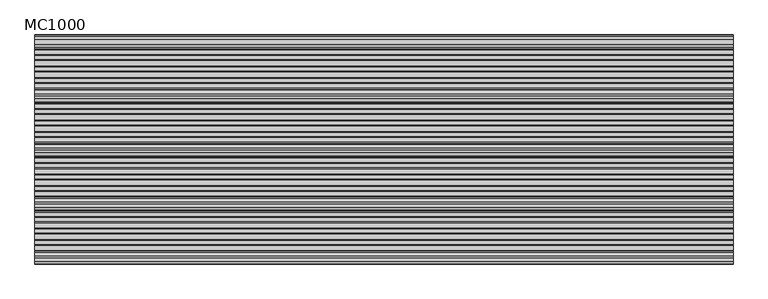
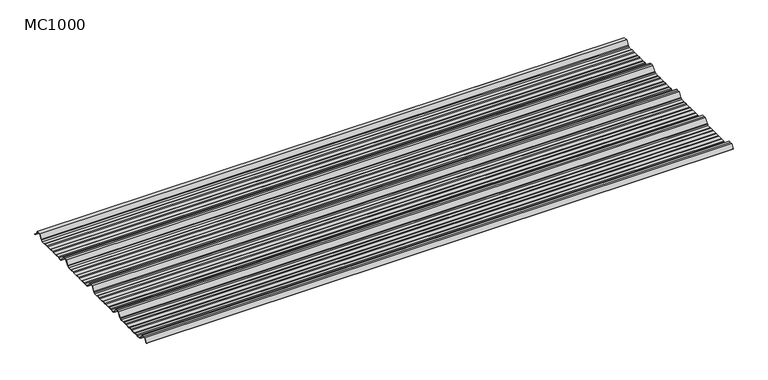
"""IFC4 building model written with IfcOpenShell, lengths in millimetres: beam geometry, MC1000."""

from ifc_helpers import new_model, si_unit, point, frame, frame_2d, origin, place, context, project, spatial, polyline, circle_curve, trimmed, segment, composite_curve, outline, extrude, source, transform, mapped, element, save


def mc1000_a2be69ba(model_context):
    return source(origin(), model_context, "Body", "SweptSolid", [
        extrude(outline(composite_curve([segment(polyline([(-187.0338322, -23.7896472), (-192.5, -25.7896478), (-213.5, -25.7896478), (-217.6210251, -19.1370213), (-222.9746775, -19.1370213), (-238.0568616, 5.2103522), (-250.0, 5.2103522), (-261.9431384, 5.2103522), (-277.0253225, -19.1370213), (-282.3789749, -19.1370213), (-286.5, -25.7896478), (-307.5, -25.7896478), (-312.9661678, -23.7896476), (-330.9151087, -23.7896476), (-336.3812767, -25.7896478), (-360.5593616, -25.7896478), (-366.0255296, -23.7896476), (-383.97447, -23.7896476), (-389.4406384, -25.7896478), (-413.6187233, -25.7896478), (-419.0848913, -23.7896476), (-437.0338322, -23.7896476), (-442.5, -25.7896478), (-463.5, -25.7896478), (-467.6210251, -19.1370213), (-472.9746775, -19.1370213), (-488.0568616, 5.2103522), (-500.0, 5.2103522), (-511.9431384, 5.2103522), (-527.0253225, -19.1370213), (-532.3789749, -19.1370213), (-536.5, -25.7896478), (-557.5, -25.7896478), (-562.9661678, -23.789648), (-580.9151087, -23.789648), (-586.3812767, -25.7896482), (-610.5593616, -25.7896482), (-616.0255296, -23.7896476), (-633.97447, -23.7896476), (-639.4406384, -25.7896478), (-663.6187233, -25.7896478), (-669.0848913, -23.7896476), (-687.0338322, -23.7896476), (-692.5, -25.7896478), (-713.5, -25.7896478), (-717.6210251, -19.1370213), (-722.9746775, -19.1370213), (-738.0568616, 5.2103522), (-750.0, 5.2103522), (-761.9431384, 5.2103522), (-777.0253225, -19.1370213), (-782.3789749, -19.1370213), (-786.5, -25.7896478), (-807.5, -25.7896478), (-812.9661678, -23.7896476), (-830.9151087, -23.7896476), (-836.3812767, -25.7896478), (-860.5593616, -25.7896478), (-866.0255296, -23.7896476), (-883.97447, -23.7896476), (-889.4406384, -25.7896478), (-913.6187233, -25.7896478), (-919.0848913, -23.7896476), (-937.0338322, -23.7896476), (-942.5, -25.7896478), (-963.5, -25.7896478), (-967.6210251, -19.1370213), (-972.9746775, -19.1370213), (-988.0568616, 5.2103522), (-1000.0, 5.2103522), (-1011.9431384, 5.2103522), (-1025.3430666, -16.4213329)]), True, "CONTINUOUS"), segment(trimmed(circle_curve(frame_2d((-1025.768121, -16.1580294)), 0.5), [point((-1025.3430666, -16.4213329))], [point((-1026.1931754, -15.8947259))], False, "CARTESIAN"), True, "CONTINUOUS"), segment(polyline([(-1026.1931754, -15.8947259), (-1012.5, 6.2103522), (-1000.0, 6.2103522), (-987.5, 6.2103522), (-972.4178159, -18.1370213), (-967.0641635, -18.1370213), (-962.9431384, -24.7896478), (-942.6771992, -24.7896478), (-937.2110314, -22.7896476), (-918.9076926, -22.7896476), (-913.4415242, -24.7896478), (-889.6178376, -24.7896478), (-884.1516696, -22.7896478), (-865.8483309, -22.7896478), (-860.3821624, -24.7896478), (-836.5584758, -24.7896478), (-831.0923074, -22.7896476), (-812.7889686, -22.7896476), (-807.3228008, -24.7896478), (-787.0568616, -24.7896478), (-782.9358365, -18.1370213), (-777.5821841, -18.1370213), (-762.5, 6.2103522), (-750.0, 6.2103522), (-737.5, 6.2103522), (-722.4178159, -18.1370213), (-717.0641635, -18.1370213), (-712.9431384, -24.7896478), (-692.6771992, -24.7896478), (-687.2110314, -22.7896476), (-668.9076926, -22.7896476), (-663.4415242, -24.7896478), (-639.6178376, -24.7896478), (-634.1516696, -22.7896478), (-615.8483309, -22.7896478), (-610.3821624, -24.7896482), (-586.5584758, -24.7896482), (-581.0923074, -22.789648), (-562.7889686, -22.789648), (-557.3228008, -24.7896478), (-537.0568616, -24.7896478), (-532.9358365, -18.1370213), (-527.5821841, -18.1370213), (-512.5, 6.2103522), (-500.0, 6.2103522), (-487.5, 6.2103522), (-472.4178159, -18.1370213), (-467.0641635, -18.1370213), (-462.9431384, -24.7896478), (-442.6771992, -24.7896478), (-437.2110314, -22.7896476), (-418.9076926, -22.7896476), (-413.4415242, -24.7896478), (-389.6178376, -24.7896478), (-384.1516696, -22.7896478), (-365.8483309, -22.7896478), (-360.3821624, -24.7896478), (-336.5584758, -24.7896478), (-331.0923074, -22.7896476), (-312.7889686, -22.7896476), (-307.3228008, -24.7896478), (-287.0568616, -24.7896478), (-282.9358365, -18.1370213), (-277.5821841, -18.1370213), (-262.5, 6.2103522), (-250.0, 6.2103522), (-237.5, 6.2103522), (-222.4178159, -18.1370213), (-217.0641635, -18.1370213), (-212.9431384, -24.7896478), (-192.6771992, -24.7896478), (-187.2110314, -22.7896472), (-168.9076926, -22.7896472), (-163.4415242, -24.7896475), (-139.6178376, -24.7896475), (-134.1516696, -22.7896474), (-115.8483309, -22.7896474), (-110.3821624, -24.7896475), (-86.5584758, -24.7896475), (-81.0923074, -22.7896476), (-62.7889686, -22.7896476), (-57.3228008, -24.7896478), (-37.0568616, -24.7896478), (-32.9358365, -18.1370213), (-25.2295442, -18.1370213), (-11.3862768, 4.2103522), (11.3862768, 4.2103522), (26.4684609, -20.1370213), (31.8221133, -20.1370213), (33.8767469, -23.4538441)]), True, "CONTINUOUS"), segment(trimmed(circle_curve(frame_2d((33.4516925, -23.7171476)), 0.5), [point((33.8767469, -23.4538441))], [point((33.0266381, -23.9804511))], False, "CARTESIAN"), True, "CONTINUOUS"), segment(polyline([(33.0266381, -23.9804511), (31.2652517, -21.1370213), (25.9115993, -21.1370213), (10.8294152, 3.2103522), (-10.8294152, 3.2103522), (-24.6726825, -19.1370213), (-32.3789749, -19.1370213), (-36.5, -25.7896478), (-57.5, -25.7896478), (-62.9661678, -23.7896476), (-80.9151087, -23.7896476), (-86.3812767, -25.7896475), (-110.5593616, -25.7896475), (-116.0255296, -23.7896472), (-133.97447, -23.7896472), (-139.4406384, -25.7896475), (-163.6187233, -25.7896475), (-169.0848913, -23.7896472), (-187.0338322, -23.7896472)]), True, "CONTINUOUS")], self_intersect=False)), frame((-1615.4201823, 0.0, 0.0), z_axis=(1.0, 0.0, 0.0), x_axis=(0.0, 1.0, 0.0)), (0.0, 0.0, 1.0), 3230.8403647),
    ])


if __name__ == "__main__":
    model = new_model("IFC4")
    model_context = context("Model", 3, world=origin())
    ifc_project = project(units=[si_unit("LENGTHUNIT", "METRE", prefix="MILLI")], contexts=[model_context])
    site = spatial("IfcSite", under=ifc_project)
    building = spatial("IfcBuilding", under=site)
    placement = place(None, origin())
    mc1000_shape = mc1000_a2be69ba(model_context)
    element("IfcBeam", 1, ObjectType="MC1000", at=placement, inside=building, context=model_context, shape_type="MappedRepresentation", body=[
        mapped(mc1000_shape, transform((0.0, 0.0, 0.0), x_axis=(1.0, 0.0, 0.0), y_axis=(0.0, 1.0, 0.0), z_axis=(0.0, 0.0, 1.0))),
    ])
    save(model, "model.ifc")
